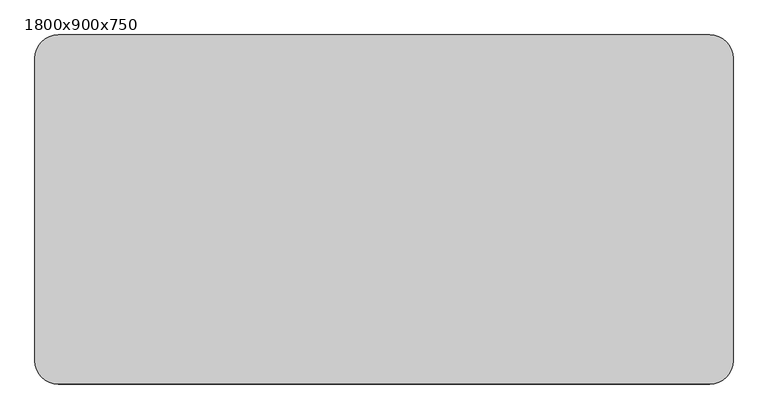
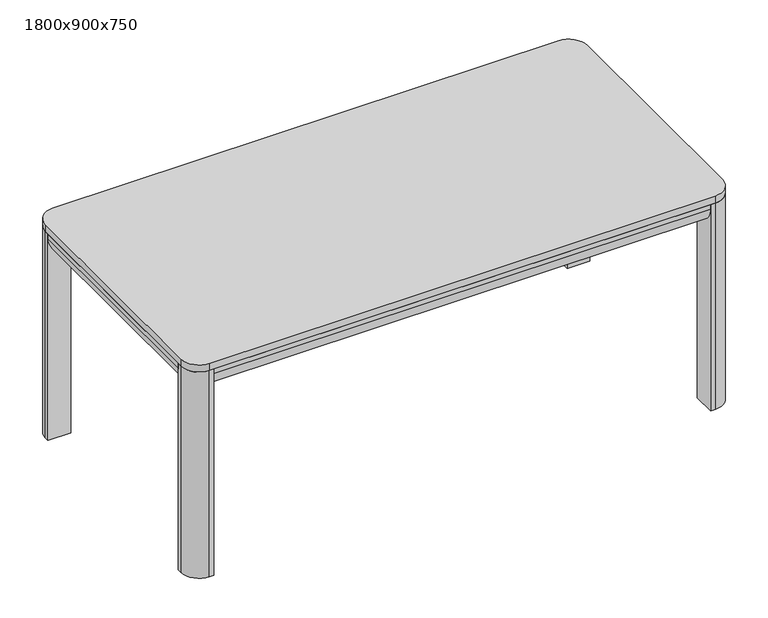
"""IFC4 building model written with IfcOpenShell, lengths in millimetres: furniture geometry, 1800x900x750."""

from ifc_helpers import new_model, si_unit, point, frame, frame_2d, origin, origin_with_axes, place, context, project, spatial, polyline, circle_curve, trimmed, segment, composite_curve, outline, extrude, source, transform, mapped, element, save


def furniture_1800x900x750_5865974b(model_context):
    return source(origin(), model_context, "Body", "SweptSolid", [
        extrude(outline(composite_curve([segment(polyline([(725.0, 75.0), (725.0, 0.0), (710.0, 0.0)]), True, "CONTINUOUS"), segment(trimmed(circle_curve(frame_2d((710.0, 60.0)), 60.0), [point((710.0, 0.0))], [point((650.0, 60.0))], False, "CARTESIAN"), True, "CONTINUOUS"), segment(polyline([(650.0, 60.0), (650.0, 75.0), (725.0, 75.0)]), True, "CONTINUOUS")], self_intersect=False)), frame((0.0, -825.0, 0.0), z_axis=(0.0, 1.0, 0.0), x_axis=(0.0, 0.0, 1.0)), (0.0, 0.0, 1.0), 750.0),
        extrude(outline(composite_curve([segment(polyline([(-75.0, 725.0), (0.0, 725.0), (0.0, 710.0)]), True, "CONTINUOUS"), segment(trimmed(circle_curve(frame_2d((-60.0, 710.0)), 60.0), [point((0.0, 710.0))], [point((-60.0, 650.0))], False, "CARTESIAN"), True, "CONTINUOUS"), segment(polyline([(-60.0, 650.0), (-75.0, 650.0), (-75.0, 725.0)]), True, "CONTINUOUS")], self_intersect=False)), frame((75.0, 0.0, 0.0), z_axis=(1.0, 0.0, 0.0), x_axis=(0.0, 1.0, 0.0)), (0.0, 0.0, 1.0), 1650.0),
        extrude(outline(composite_curve([segment(polyline([(725.0, 1725.0), (650.0, 1725.0), (650.0, 1740.0)]), True, "CONTINUOUS"), segment(trimmed(circle_curve(frame_2d((710.0, 1740.0)), 60.0), [point((650.0, 1740.0))], [point((710.0, 1800.0))], False, "CARTESIAN"), True, "CONTINUOUS"), segment(polyline([(710.0, 1800.0), (725.0, 1800.0), (725.0, 1725.0)]), True, "CONTINUOUS")], self_intersect=False)), frame((0.0, -825.0, 0.0), z_axis=(0.0, 1.0, 0.0), x_axis=(0.0, 0.0, 1.0)), (0.0, 0.0, 1.0), 750.0),
        extrude(outline(composite_curve([segment(trimmed(circle_curve(frame_2d((1740.0, -840.0)), 60.0), [point((1800.0, -840.0))], [point((1740.0, -900.0))], False, "CARTESIAN"), True, "CONTINUOUS"), segment(polyline([(1740.0, -900.0), (1725.0, -900.0), (1725.0, -825.0), (1800.0, -825.0), (1800.0, -840.0)]), True, "CONTINUOUS")], self_intersect=False)), origin_with_axes(), (0.0, 0.0, 1.0), 725.0),
        extrude(outline(composite_curve([segment(trimmed(circle_curve(frame_2d((60.0, -840.0)), 60.0), [point((60.0, -900.0))], [point((0.0, -840.0))], False, "CARTESIAN"), True, "CONTINUOUS"), segment(polyline([(0.0, -840.0), (0.0, -825.0), (75.0, -825.0), (75.0, -900.0), (60.0, -900.0)]), True, "CONTINUOUS")], self_intersect=False)), origin_with_axes(), (0.0, 0.0, 1.0), 725.0),
        extrude(outline(composite_curve([segment(trimmed(circle_curve(frame_2d((1740.0, -60.0)), 60.0), [point((1740.0, 0.0))], [point((1800.0, -60.0))], False, "CARTESIAN"), True, "CONTINUOUS"), segment(polyline([(1800.0, -60.0), (1800.0, -75.0), (1725.0, -75.0), (1725.0, 0.0), (1740.0, 0.0)]), True, "CONTINUOUS")], self_intersect=False)), origin_with_axes(), (0.0, 0.0, 1.0), 725.0),
        extrude(outline(composite_curve([segment(trimmed(circle_curve(frame_2d((60.0, -60.0)), 60.0), [point((0.0, -60.0))], [point((60.0, 0.0))], False, "CARTESIAN"), True, "CONTINUOUS"), segment(polyline([(60.0, 0.0), (75.0, 0.0), (75.0, -75.0), (0.0, -75.0), (0.0, -60.0)]), True, "CONTINUOUS")], self_intersect=False)), origin_with_axes(), (0.0, 0.0, 1.0), 725.0),
        extrude(outline(composite_curve([segment(polyline([(-825.0, 725.0), (-825.0, 650.0), (-840.0, 650.0)]), True, "CONTINUOUS"), segment(trimmed(circle_curve(frame_2d((-840.0, 710.0)), 60.0), [point((-840.0, 650.0))], [point((-900.0, 710.0))], False, "CARTESIAN"), True, "CONTINUOUS"), segment(polyline([(-900.0, 710.0), (-900.0, 725.0), (-825.0, 725.0)]), True, "CONTINUOUS")], self_intersect=False)), frame((75.0, 0.0, 0.0), z_axis=(1.0, 0.0, 0.0), x_axis=(0.0, 1.0, 0.0)), (0.0, 0.0, 1.0), 1650.0),
        extrude(outline(composite_curve([segment(trimmed(circle_curve(frame_2d((1740.0, -60.0)), 60.0), [point((1740.0, 0.0))], [point((1800.0, -60.0))], False, "CARTESIAN"), True, "CONTINUOUS"), segment(polyline([(1800.0, -60.0), (1800.0, -840.0)]), True, "CONTINUOUS"), segment(trimmed(circle_curve(frame_2d((1740.0, -840.0)), 60.0), [point((1800.0, -840.0))], [point((1740.0, -900.0))], False, "CARTESIAN"), True, "CONTINUOUS"), segment(polyline([(1740.0, -900.0), (60.0, -900.0)]), True, "CONTINUOUS"), segment(trimmed(circle_curve(frame_2d((60.0, -840.0)), 60.0), [point((60.0, -900.0))], [point((0.0, -840.0))], False, "CARTESIAN"), True, "CONTINUOUS"), segment(polyline([(0.0, -840.0), (0.0, -60.0)]), True, "CONTINUOUS"), segment(trimmed(circle_curve(frame_2d((60.0, -60.0)), 60.0), [point((0.0, -60.0))], [point((60.0, 0.0))], False, "CARTESIAN"), True, "CONTINUOUS"), segment(polyline([(60.0, 0.0), (1740.0, 0.0)]), True, "CONTINUOUS")], self_intersect=False)), frame((0.0, 0.0, 725.0), z_axis=(0.0, 0.0, 1.0), x_axis=(1.0, 0.0, 0.0)), (0.0, 0.0, 1.0), 25.0),
    ])


if __name__ == "__main__":
    model = new_model("IFC4")
    model_context = context("Model", 3, world=origin())
    ifc_project = project(units=[si_unit("LENGTHUNIT", "METRE", prefix="MILLI")], contexts=[model_context])
    site = spatial("IfcSite", under=ifc_project)
    building = spatial("IfcBuilding", under=site)
    placement = place(None, origin())
    furniture_1800x900x750_shape = furniture_1800x900x750_5865974b(model_context)
    element("IfcFurniture", 1, ObjectType="1800x900x750", at=placement, inside=building, context=model_context, shape_type="MappedRepresentation", body=[
        mapped(furniture_1800x900x750_shape, transform((0.0, 0.0, 0.0), x_axis=(1.0, 0.0, 0.0), y_axis=(0.0, 1.0, 0.0), z_axis=(0.0, 0.0, 1.0))),
    ])
    save(model, "model.ifc")
